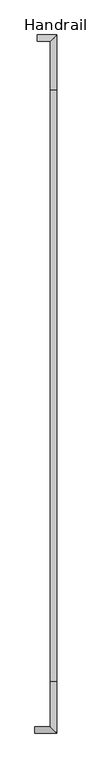
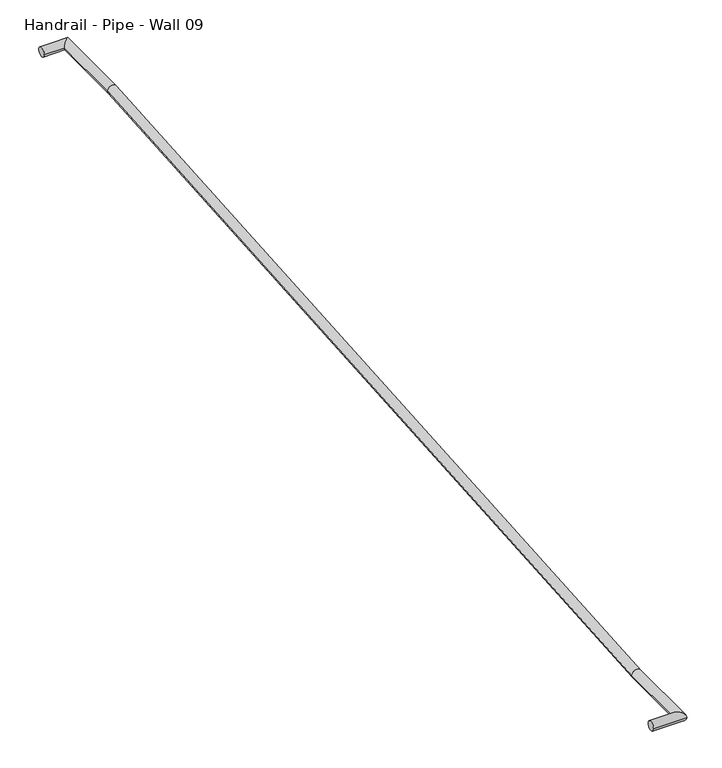
"""IFC4 building model written with IfcOpenShell, lengths in millimetres: railing geometry, Handrail - Pipe - Wall 09."""

from ifc_helpers import new_model, si_unit, frame, origin, place, context, project, spatial, circle_curve, ellipse_curve, source, transform, mapped, element, save
from ifc_brep_helpers import plane_surface, cylinder_surface, advanced_brep


def handrail_pipe_wall_09_6c602844(model_context):
    return source(origin(), model_context, "Body", "AdvancedBrep", [
        advanced_brep(
        [(-17762.6833883, 30263.1299125, -10331.45), (-17800.7833883, 30301.2299125, -10331.45), (-17800.7833883, 30578.3083834, -10331.45), (-17762.6833883, 30578.3083834, -10331.45), (-17880.1583883, 34516.0424125, -10064.75), (-17880.1583883, 34554.1424125, -10064.75), (-17762.6833883, 34554.1424125, -10064.75), (-17800.7833883, 34516.0424125, -10064.75), (-17896.0333883, 30301.2299125, -10331.45), (-17896.0333883, 30263.1299125, -10331.45), (-17800.7833883, 34214.7244192, -10064.75), (-17762.6833883, 34214.7244192, -10064.75)],
        [
            (0, 1, ellipse_curve(frame((-17781.7333883, 30282.1799125, -10331.45), z_axis=(0.707106781186548, 0.7071067811865469, 0.0), x_axis=(0.7071067811865468, -0.7071067811865481, 0.0)), 26.9407684, 19.05)),
            (1, 2),
            (2, 3, ellipse_curve(frame((-17781.7333883, 30578.3083834, -10331.45), z_axis=(0.0, -0.9993301051039031, -0.03659700852558695), x_axis=(0.0, -0.036597008525590766, 0.9993301051039031)), 19.0627701, 19.05)),
            (3, 0),
            (1, 0, ellipse_curve(frame((-17781.7333883, 30282.1799125, -10331.45), z_axis=(0.707106781186548, 0.7071067811865469, 0.0), x_axis=(0.7071067811865468, -0.7071067811865481, 0.0)), 26.9407684, 19.05)),
            (3, 2, ellipse_curve(frame((-17781.7333883, 30578.3083834, -10331.45), z_axis=(0.0, -0.9993301051039031, -0.03659700852558695), x_axis=(0.0, -0.036597008525590766, 0.9993301051039031)), 19.0627701, 19.05)),
            (4, 5, circle_curve(frame((-17880.1583883, 34535.0924125, -10064.75), z_axis=(-1.0, 0.0, 0.0), x_axis=(0.0, 1.0, 0.0)), 19.05)),
            (5, 4, circle_curve(frame((-17880.1583883, 34535.0924125, -10064.75), z_axis=(-1.0, 0.0, 0.0), x_axis=(0.0, 1.0, 0.0)), 19.05)),
            (6, 7, ellipse_curve(frame((-17781.7333883, 34535.0924125, -10064.75), z_axis=(-0.7071067811865346, 0.7071067811865605, 0.0), x_axis=(0.7071067811865603, 0.7071067811865346, 0.0)), 26.9407684, 19.05)),
            (7, 4),
            (5, 6),
            (7, 6, ellipse_curve(frame((-17781.7333883, 34535.0924125, -10064.75), z_axis=(-0.7071067811865346, 0.7071067811865605, 0.0), x_axis=(0.7071067811865603, 0.7071067811865346, 0.0)), 26.9407684, 19.05)),
            (8, 9, circle_curve(frame((-17896.0333883, 30282.1799125, -10331.45), z_axis=(-1.0, 0.0, 0.0), x_axis=(0.0, -1.0, 0.0)), 19.05)),
            (9, 8, circle_curve(frame((-17896.0333883, 30282.1799125, -10331.45), z_axis=(-1.0, 0.0, 0.0), x_axis=(0.0, -1.0, 0.0)), 19.05)),
            (8, 1),
            (0, 9),
            (2, 10),
            (10, 11, ellipse_curve(frame((-17781.7333883, 34214.7244192, -10064.75), z_axis=(0.0, -0.9993301051039031, -0.03659700852558695), x_axis=(0.0, 0.03659700852558469, -0.9993301051039032)), 19.0627701, 19.05)),
            (11, 3),
            (11, 10, ellipse_curve(frame((-17781.7333883, 34214.7244192, -10064.75), z_axis=(0.0, -0.9993301051039031, -0.03659700852558695), x_axis=(0.0, 0.03659700852558469, -0.9993301051039032)), 19.0627701, 19.05)),
            (10, 7),
            (6, 11),
        ],
        [
            cylinder_surface(frame((-17781.7333883, 30282.1799125, -10331.45), z_axis=(0.0, -1.0, 0.0), x_axis=(1.0, 0.0, 0.0)), 19.05),
            plane_surface(frame((-17880.1583883, 34535.0924125, -10045.7), z_axis=(-1.0, 0.0, 0.0), x_axis=(0.0, -1.0, 0.0))),
            cylinder_surface(frame((-17781.7333883, 34535.0924125, -10064.75), z_axis=(1.0, 0.0, 0.0), x_axis=(0.0, 1.0, 0.0)), 19.05),
            plane_surface(frame((-17896.0333883, 30282.1799125, -10312.4), z_axis=(-1.0, 0.0, 0.0), x_axis=(0.0, 1.0, 0.0))),
            cylinder_surface(frame((-17896.0333883, 30282.1799125, -10331.45), z_axis=(-1.0, 0.0, 0.0), x_axis=(0.0, -1.0, 0.0)), 19.05),
            cylinder_surface(frame((-17781.7333883, 30579.004155, -10331.3989711), z_axis=(0.0, -0.9973213179339563, -0.0731449847527265), x_axis=(1.0, 0.0, 0.0)), 19.05),
            cylinder_surface(frame((-17781.7333883, 34214.0267788, -10064.75), z_axis=(0.0, -1.0, 0.0), x_axis=(1.0, 0.0, 0.0)), 19.05),
        ],
        [
            (0, [[1, 2, 3, 4]]),
            (0, [[5, -4, 6, -2]]),
            (1, [[7, 8]]),
            (2, [[9, 10, -8, 11]]),
            (2, [[12, -11, -7, -10]]),
            (3, [[13, 14]]),
            (4, [[-13, 15, -1, 16]]),
            (4, [[-14, -16, -5, -15]]),
            (5, [[-3, 17, 18, 19]]),
            (5, [[-6, -19, 20, -17]]),
            (6, [[-18, 21, -9, 22]]),
            (6, [[-20, -22, -12, -21]]),
        ],
    ),
    ])


if __name__ == "__main__":
    model = new_model("IFC4")
    model_context = context("Model", 3, world=origin())
    ifc_project = project(units=[si_unit("LENGTHUNIT", "METRE", prefix="MILLI")], contexts=[model_context])
    site = spatial("IfcSite", under=ifc_project)
    building = spatial("IfcBuilding", under=site)
    placement = place(None, origin())
    handrail_pipe_wall_09_shape = handrail_pipe_wall_09_6c602844(model_context)
    element("IfcRailing", 1, ObjectType="Handrail - Pipe - Wall 09", at=placement, inside=building, context=model_context, shape_type="MappedRepresentation", body=[
        mapped(handrail_pipe_wall_09_shape, transform((0.0, 0.0, 0.0), x_axis=(1.0, 0.0, 0.0), y_axis=(0.0, 1.0, 0.0), z_axis=(0.0, 0.0, 1.0))),
    ])
    save(model, "model.ifc")
